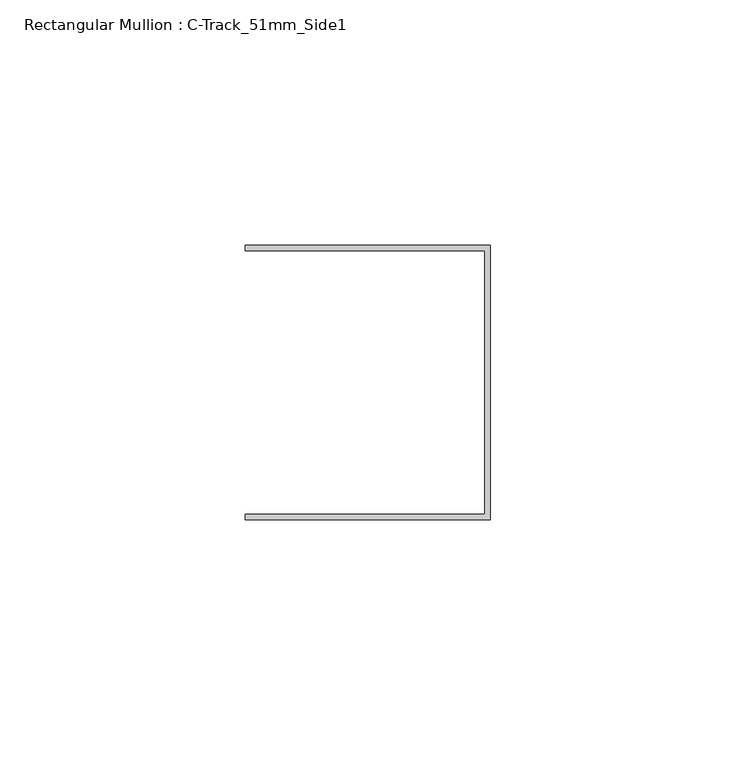
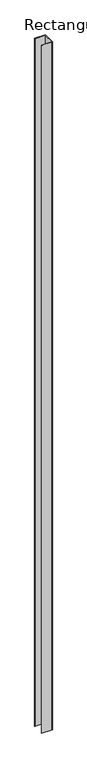
"""IFC4 building model written with IfcOpenShell, lengths in millimetres: member geometry, Rectangular Mullion : C-Track_51mm_Side1."""

from ifc_helpers import new_model, si_unit, frame, origin, place, context, project, spatial, polyline, outline, extrude, source, transform, mapped, element, save


def rectangular_mullion_c_track_51mm_side1_f11cdc49(model_context):
    return source(origin(), model_context, "Body", "SweptSolid", [
        extrude(outline(polyline([(-1.15, 26.85), (-50.0, 26.85), (-50.0, 28.0), (0.0, 28.0), (0.0, -28.0), (-50.0, -28.0), (-50.0, -26.85), (-1.15, -26.85), (-1.15, 26.85)])), frame((0.0, 0.0, -3400.0), z_axis=(0.0, 0.0, 1.0), x_axis=(1.0, 0.0, 0.0)), (0.0, 0.0, 1.0), 3400.0),
    ])


if __name__ == "__main__":
    model = new_model("IFC4")
    model_context = context("Model", 3, world=origin())
    ifc_project = project(units=[si_unit("LENGTHUNIT", "METRE", prefix="MILLI")], contexts=[model_context])
    site = spatial("IfcSite", under=ifc_project)
    building = spatial("IfcBuilding", under=site)
    placement = place(None, origin())
    rectangular_mullion_c_track_51mm_side1_shape = rectangular_mullion_c_track_51mm_side1_f11cdc49(model_context)
    element("IfcMember", 1, ObjectType="Rectangular Mullion : C-Track_51mm_Side1", at=placement, inside=building, context=model_context, shape_type="MappedRepresentation", body=[
        mapped(rectangular_mullion_c_track_51mm_side1_shape, transform((0.0, 0.0, 0.0), x_axis=(1.0, 0.0, 0.0), y_axis=(0.0, 1.0, 0.0), z_axis=(0.0, 0.0, 1.0))),
    ])
    save(model, "model.ifc")
